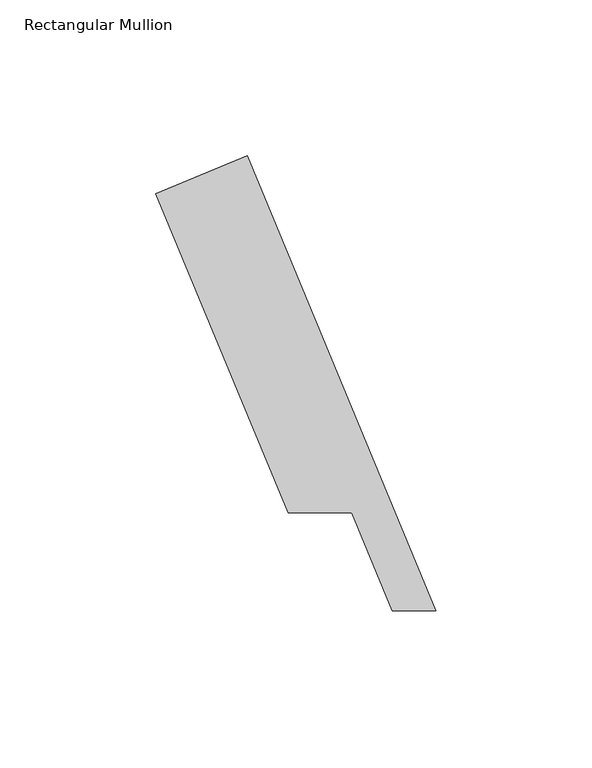
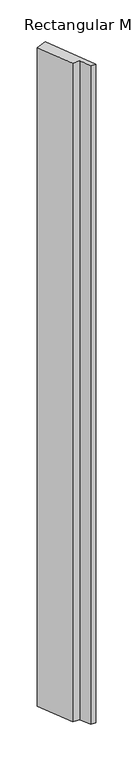
"""IFC4 building model written with IfcOpenShell, lengths in millimetres: member geometry, Rectangular Mullion."""

from ifc_helpers import new_model, si_unit, frame, origin, place, context, project, spatial, polyline, outline, extrude, source, transform, mapped, element, save


def rectangular_mullion_ef57c564(model_context):
    return source(origin(), model_context, "Body", "SweptSolid", [
        extrude(outline(polyline([(-7.9741173, 20.1042603), (-21.9057918, 20.1042603), (-34.9491655, 51.59375), (-55.3834434, 51.59375), (-97.7157218, 153.7929106), (-68.3825466, 165.9431096), (-7.9741173, 20.1042603)])), frame((0.0, 0.0, -1993.8999999), z_axis=(0.0, 0.0, 1.0), x_axis=(1.0, 0.0, 0.0)), (0.0, 0.0, 1.0), 1993.8999999),
    ])


if __name__ == "__main__":
    model = new_model("IFC4")
    model_context = context("Model", 3, world=origin())
    ifc_project = project(units=[si_unit("LENGTHUNIT", "METRE", prefix="MILLI")], contexts=[model_context])
    site = spatial("IfcSite", under=ifc_project)
    building = spatial("IfcBuilding", under=site)
    placement = place(None, origin())
    rectangular_mullion_shape = rectangular_mullion_ef57c564(model_context)
    element("IfcMember", 1, ObjectType="Rectangular Mullion", at=placement, inside=building, context=model_context, shape_type="MappedRepresentation", body=[
        mapped(rectangular_mullion_shape, transform((0.0, 0.0, 0.0), x_axis=(1.0, 0.0, 0.0), y_axis=(0.0, 1.0, 0.0), z_axis=(0.0, 0.0, 1.0))),
    ])
    save(model, "model.ifc")
